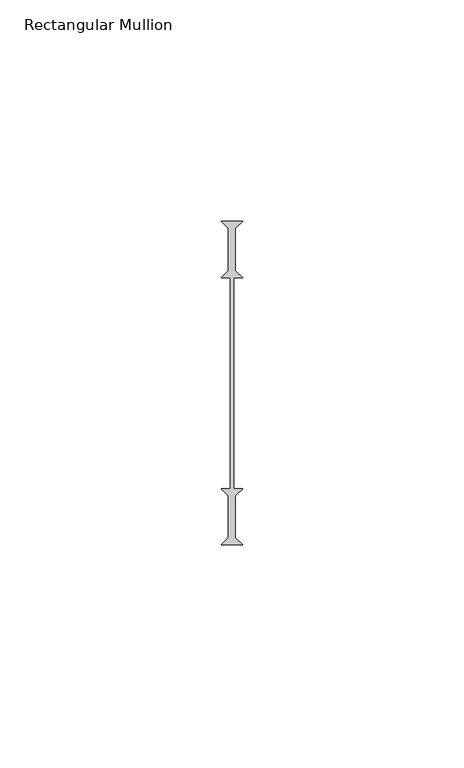
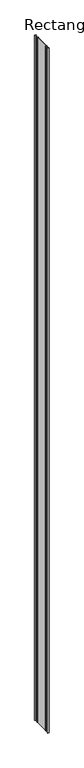
"""IFC4 building model written with IfcOpenShell, lengths in millimetres: member geometry, Rectangular Mullion."""

from ifc_helpers import new_model, si_unit, frame, origin, place, context, project, spatial, polyline, outline, extrude, source, transform, mapped, element, save


def rectangular_mullion_d2777604(model_context):
    return source(origin(), model_context, "Body", "SweptSolid", [
        extrude(outline(polyline([(-2.38125, -36.5125), (-0.79375, -34.925), (-0.79375, -25.4), (-2.38125, -23.8125), (-0.396875, -23.8125), (-0.396875, 23.8125), (-2.38125, 23.8125), (-0.79375, 25.4), (-0.79375, 34.925), (-2.38125, 36.5125), (2.38125, 36.5125), (0.79375, 34.925), (0.79375, 25.4), (2.38125, 23.8125), (0.396875, 23.8125), (0.396875, -23.8125), (2.38125, -23.8125), (0.79375, -25.4), (0.79375, -34.925), (2.38125, -36.5125), (-2.38125, -36.5125)])), frame((0.0, 0.0, -2336.8), z_axis=(0.0, 0.0, 1.0), x_axis=(1.0, 0.0, 0.0)), (0.0, 0.0, 1.0), 2336.8),
    ])


if __name__ == "__main__":
    model = new_model("IFC4")
    model_context = context("Model", 3, world=origin())
    ifc_project = project(units=[si_unit("LENGTHUNIT", "METRE", prefix="MILLI")], contexts=[model_context])
    site = spatial("IfcSite", under=ifc_project)
    building = spatial("IfcBuilding", under=site)
    placement = place(None, origin())
    rectangular_mullion_shape = rectangular_mullion_d2777604(model_context)
    element("IfcMember", 1, ObjectType="Rectangular Mullion", at=placement, inside=building, context=model_context, shape_type="MappedRepresentation", body=[
        mapped(rectangular_mullion_shape, transform((0.0, 0.0, 0.0), x_axis=(1.0, 0.0, 0.0), y_axis=(0.0, 1.0, 0.0), z_axis=(0.0, 0.0, 1.0))),
    ])
    save(model, "model.ifc")
